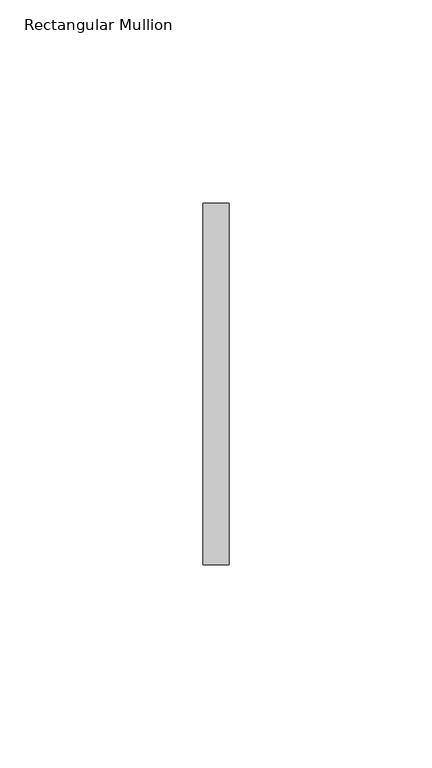
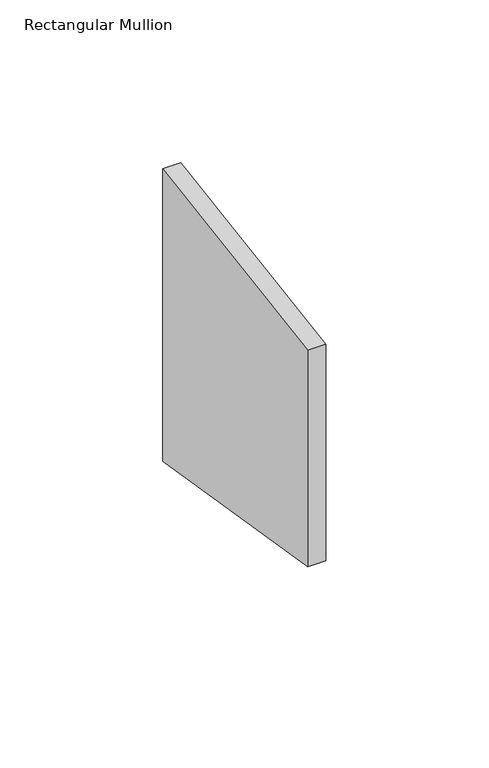
"""IFC4 building model written with IfcOpenShell, lengths in millimetres: member geometry, Rectangular Mullion."""

from ifc_helpers import new_model, si_unit, frame, origin, place, context, project, spatial, polyline, outline, extrude, source, transform, mapped, element, save


def rectangular_mullion_e2bbe705(model_context):
    return source(origin(), model_context, "Body", "SweptSolid", [
        extrude(outline(polyline([(-44.45, -7.0245487), (44.45, 7.0245487), (44.45, -102.4351565), (-44.45, -88.0648435), (-44.45, -7.0245487)])), frame((-6.35, 0.0, 0.0), z_axis=(1.0, 0.0, 0.0), x_axis=(0.0, 1.0, 0.0)), (0.0, 0.0, 1.0), 6.35),
    ])


if __name__ == "__main__":
    model = new_model("IFC4")
    model_context = context("Model", 3, world=origin())
    ifc_project = project(units=[si_unit("LENGTHUNIT", "METRE", prefix="MILLI")], contexts=[model_context])
    site = spatial("IfcSite", under=ifc_project)
    building = spatial("IfcBuilding", under=site)
    placement = place(None, origin())
    rectangular_mullion_shape = rectangular_mullion_e2bbe705(model_context)
    element("IfcMember", 1, ObjectType="Rectangular Mullion", at=placement, inside=building, context=model_context, shape_type="MappedRepresentation", body=[
        mapped(rectangular_mullion_shape, transform((0.0, 0.0, 0.0), x_axis=(1.0, 0.0, 0.0), y_axis=(0.0, 1.0, 0.0), z_axis=(0.0, 0.0, 1.0))),
    ])
    save(model, "model.ifc")
